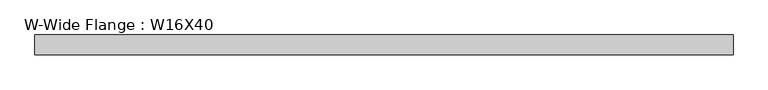
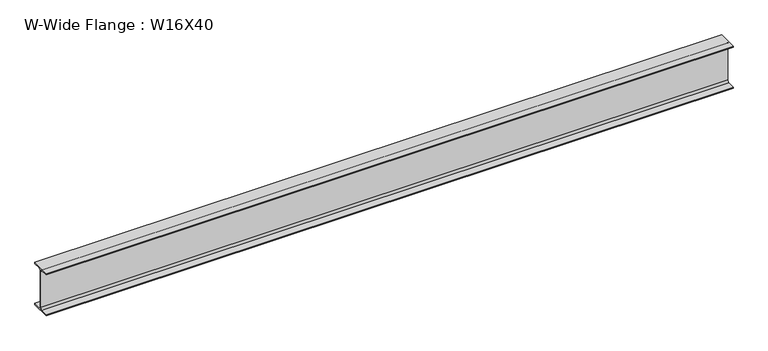
"""IFC4 building model written with IfcOpenShell, lengths in millimetres: beam geometry, W-Wide Flange : W16X40."""

from ifc_helpers import new_model, si_unit, point, frame, frame_2d, origin, place, context, project, spatial, polyline, circle_curve, trimmed, segment, composite_curve, outline, extrude, source, transform, mapped, element, save


def w_wide_flange_w16x40_de1326f0(model_context):
    return source(origin(), model_context, "Body", "SweptSolid", [
        extrude(outline(composite_curve([segment(polyline([(88.9, -190.4), (88.9, -203.2), (-88.9, -203.2), (-88.9, -190.4), (-21.25, -190.4)]), True, "CONTINUOUS"), segment(trimmed(circle_curve(frame_2d((-21.25, -173.0)), 17.4), [point((-21.25, -190.4))], [point((-3.85, -173.0))], True, "CARTESIAN"), True, "CONTINUOUS"), segment(polyline([(-3.85, -173.0), (-3.85, 173.0)]), True, "CONTINUOUS"), segment(trimmed(circle_curve(frame_2d((-21.25, 173.0)), 17.4), [point((-3.85, 173.0))], [point((-21.25, 190.4))], True, "CARTESIAN"), True, "CONTINUOUS"), segment(polyline([(-21.25, 190.4), (-88.9, 190.4), (-88.9, 203.2), (88.9, 203.2), (88.9, 190.4), (21.25, 190.4)]), True, "CONTINUOUS"), segment(trimmed(circle_curve(frame_2d((21.25, 173.0)), 17.4), [point((21.25, 190.4))], [point((3.85, 173.0))], True, "CARTESIAN"), True, "CONTINUOUS"), segment(polyline([(3.85, 173.0), (3.85, -173.0)]), True, "CONTINUOUS"), segment(trimmed(circle_curve(frame_2d((21.25, -173.0)), 17.4), [point((3.85, -173.0))], [point((21.25, -190.4))], True, "CARTESIAN"), True, "CONTINUOUS"), segment(polyline([(21.25, -190.4), (88.9, -190.4)]), True, "CONTINUOUS")], self_intersect=False)), frame((-1563.2333755, 0.0, 0.0), z_axis=(1.0, 0.0, 0.0), x_axis=(0.0, 1.0, 0.0)), (0.0, 0.0, 1.0), 6246.374242),
    ])


if __name__ == "__main__":
    model = new_model("IFC4")
    model_context = context("Model", 3, world=origin())
    ifc_project = project(units=[si_unit("LENGTHUNIT", "METRE", prefix="MILLI")], contexts=[model_context])
    site = spatial("IfcSite", under=ifc_project)
    building = spatial("IfcBuilding", under=site)
    placement = place(None, origin())
    w_wide_flange_w16x40_shape = w_wide_flange_w16x40_de1326f0(model_context)
    element("IfcBeam", 1, ObjectType="W-Wide Flange : W16X40", at=placement, inside=building, context=model_context, shape_type="MappedRepresentation", body=[
        mapped(w_wide_flange_w16x40_shape, transform((0.0, 0.0, 0.0), x_axis=(1.0, 0.0, 0.0), y_axis=(0.0, 1.0, 0.0), z_axis=(0.0, 0.0, 1.0))),
    ])
    save(model, "model.ifc")
